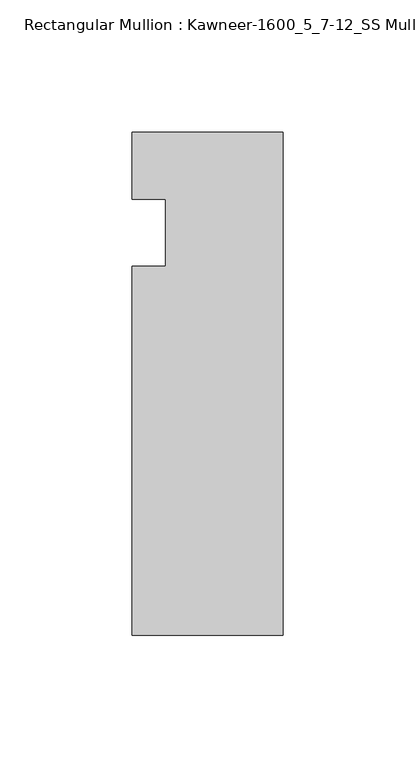
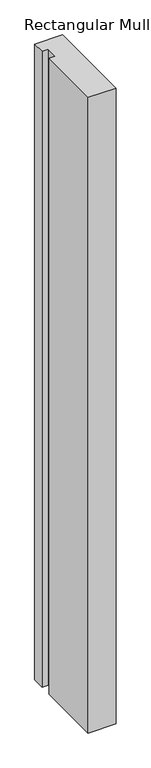
"""IFC4 building model written with IfcOpenShell, lengths in millimetres: member geometry, Rectangular Mullion : Kawneer-1600_5_7-12_SS Mullion_Head."""

from ifc_helpers import new_model, si_unit, frame, origin, place, context, project, spatial, polyline, outline, extrude, source, transform, mapped, element, save


def rectangular_mullion_kawneer_1600_5_7_12_ss_mullion_head_0311a213(model_context):
    return source(origin(), model_context, "Body", "SweptSolid", [
        extrude(outline(polyline([(-57.15, -152.4), (-57.15, -12.7), (-44.4482296, -12.7), (-44.4482296, 12.7), (-57.15, 12.7), (-57.15, 38.1), (0.0, 38.1), (0.0, -152.4), (-57.15, -152.4)])), frame((0.0, 0.0, -1383.1405973), z_axis=(0.0, 0.0, 1.0), x_axis=(1.0, 0.0, 0.0)), (0.0, 0.0, 1.0), 1383.1405973),
    ])


if __name__ == "__main__":
    model = new_model("IFC4")
    model_context = context("Model", 3, world=origin())
    ifc_project = project(units=[si_unit("LENGTHUNIT", "METRE", prefix="MILLI")], contexts=[model_context])
    site = spatial("IfcSite", under=ifc_project)
    building = spatial("IfcBuilding", under=site)
    placement = place(None, origin())
    rectangular_mullion_kawneer_1600_5_7_12_ss_mullion_head_shape = rectangular_mullion_kawneer_1600_5_7_12_ss_mullion_head_0311a213(model_context)
    element("IfcMember", 1, ObjectType="Rectangular Mullion : Kawneer-1600_5_7-12_SS Mullion_Head", at=placement, inside=building, context=model_context, shape_type="MappedRepresentation", body=[
        mapped(rectangular_mullion_kawneer_1600_5_7_12_ss_mullion_head_shape, transform((0.0, 0.0, 0.0), x_axis=(1.0, 0.0, 0.0), y_axis=(0.0, 1.0, 0.0), z_axis=(0.0, 0.0, 1.0))),
    ])
    save(model, "model.ifc")
